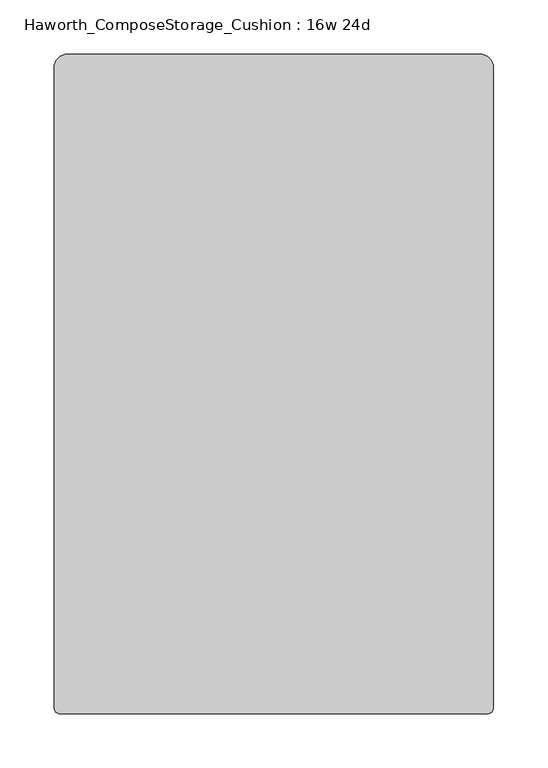
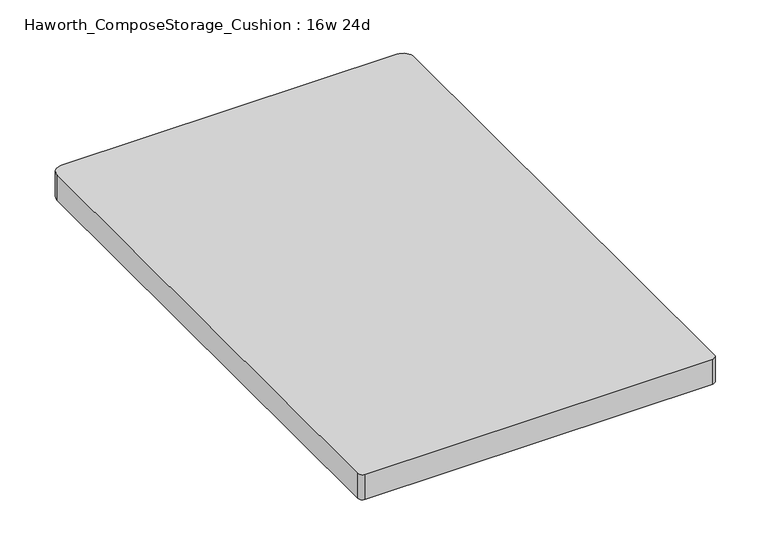
"""IFC4 building model written with IfcOpenShell, lengths in millimetres: furniture geometry, Haworth_ComposeStorage_Cushion : 16w 24d."""

import ifcopenshell
import ifcopenshell.guid

model = None  # the IFC model being written
_history = None  # IfcOwnerHistory: only IFC2X3 demands one
_inside = {}  # id of a spatial element -> (the spatial element, [elements in it])
_under = {}  # id of a project, library or spatial element -> (it, [spatial elements below it])
_declared = {}  # id of a project -> (the project, [libraries it declares])
_typed = {}  # id of a type object -> (the type object, [elements of that type])
_made_of = {}  # id of a material, layer set ... -> (it, [elements and type objects made of it])


def new_model(schema):
    """Start an empty IFC model of exactly this schema.

    Asked for "IFC4X3", IfcOpenShell would pick the latest addendum, in which some entities
    have other attributes; the version numbers below select the first issue.
    IFC2X3 requires an IfcOwnerHistory on every rooted entity: one is made here for all.
    """
    global model, _history
    if schema == "IFC4X3":
        model = ifcopenshell.file(schema_version=(4, 3, 0, 0))
    else:
        model = ifcopenshell.file(schema=schema)
    _inside.clear()
    _under.clear()
    _declared.clear()
    _typed.clear()
    _made_of.clear()
    _history = None
    if model.schema == "IFC2X3":
        org = make("IfcOrganization", Name="unknown")
        user = make(
            "IfcPersonAndOrganization",
            ThePerson=make("IfcPerson", FamilyName="unknown"),
            TheOrganization=org,
        )
        app = make(
            "IfcApplication",
            ApplicationDeveloper=org,
            Version="unknown",
            ApplicationFullName="unknown",
            ApplicationIdentifier="unknown",
        )
        _history = make(
            "IfcOwnerHistory",
            OwningUser=user,
            OwningApplication=app,
            ChangeAction="ADDED",
            CreationDate=0,
        )
    return model


def make(cls, **values):
    """One entity of the class cls with the attributes given. An attribute that is None is left unset."""
    return model.create_entity(
        cls, **{name: value for name, value in values.items() if value is not None}
    )


def rooted(cls, **values):
    """An entity with a GlobalId (a new one), such as an element, a storey or a relation."""
    return make(cls, GlobalId=ifcopenshell.guid.new(), OwnerHistory=_history, **values)


def si_unit(unit_type, name, prefix=None):
    """IfcSIUnit, for example si_unit("LENGTHUNIT", "METRE", prefix="MILLI")."""
    return make("IfcSIUnit", UnitType=unit_type, Prefix=prefix, Name=name)


def assignment(units):
    """IfcUnitAssignment: the units of a project."""
    return None if units is None else make("IfcUnitAssignment", Units=units)


def point(xyz):
    """IfcCartesianPoint."""
    return None if xyz is None else make("IfcCartesianPoint", Coordinates=xyz)


def direction(xyz):
    """IfcDirection."""
    return None if xyz is None else make("IfcDirection", DirectionRatios=xyz)


def frame(location, z_axis=None, x_axis=None):
    """IfcAxis2Placement3D, a coordinate frame: its origin and axes. An axis left out is left unset."""
    return make(
        "IfcAxis2Placement3D",
        Location=point(location),
        Axis=direction(z_axis),
        RefDirection=direction(x_axis),
    )


def frame_2d(location, x_axis=None):
    """IfcAxis2Placement2D, a coordinate frame in the plane: its origin and x axis."""
    return make(
        "IfcAxis2Placement2D", Location=point(location), RefDirection=direction(x_axis)
    )


def origin():
    """The frame at (0, 0, 0) with its axes left unset."""
    return frame((0.0, 0.0, 0.0))


def place(relative_to, where):
    """IfcLocalPlacement: puts the frame where relative to a parent placement (None: the world)."""
    return make(
        "IfcLocalPlacement", PlacementRelTo=relative_to, RelativePlacement=where
    )


def context(
    kind, dimensions, precision=None, world=None, true_north=None, identifier=None
):
    """IfcGeometricRepresentationContext, for example the 3D "Model" context."""
    return make(
        "IfcGeometricRepresentationContext",
        ContextIdentifier=identifier,
        ContextType=kind,
        CoordinateSpaceDimension=dimensions,
        Precision=precision,
        WorldCoordinateSystem=world,
        TrueNorth=true_north,
    )


def project(units=None, contexts=None):
    """IfcProject with its units and contexts."""
    return rooted(
        "IfcProject",
        Name="project",
        RepresentationContexts=contexts,
        UnitsInContext=assignment(units),
    )


def spatial(cls, under=None, at=None, **own):
    """A site, building, storey or space (cls), placed at a placement, below another one or the project."""
    s = rooted(cls, ObjectPlacement=at, **own)
    if under is not None:
        _under.setdefault(under.id(), (under, []))[1].append(s)
    return s


def polyline(points):
    """IfcPolyline through the points."""
    return make("IfcPolyline", Points=[point(p) for p in points])


def circle_curve(where, radius):
    """IfcCircle in the frame where."""
    return make("IfcCircle", Position=where, Radius=radius)


def trimmed(basis, trim1, trim2, sense, master):
    """IfcTrimmedCurve: the piece of a basis curve between two trims."""
    return make(
        "IfcTrimmedCurve",
        BasisCurve=basis,
        Trim1=trim1,
        Trim2=trim2,
        SenseAgreement=sense,
        MasterRepresentation=master,
    )


def segment(curve, same_sense, transition):
    """IfcCompositeCurveSegment."""
    return make(
        "IfcCompositeCurveSegment",
        Transition=transition,
        SameSense=same_sense,
        ParentCurve=curve,
    )


def composite_curve(segments, self_intersect=None):
    """IfcCompositeCurve: segments joined end to end."""
    return make("IfcCompositeCurve", Segments=segments, SelfIntersect=self_intersect)


def outline(outer, holes=None, kind="AREA"):
    """IfcArbitraryClosedProfileDef: a profile drawn as a closed curve; with holes, ...WithVoids."""
    if holes is None:
        return make("IfcArbitraryClosedProfileDef", ProfileType=kind, OuterCurve=outer)
    return make(
        "IfcArbitraryProfileDefWithVoids",
        ProfileType=kind,
        OuterCurve=outer,
        InnerCurves=holes,
    )


def extrude(swept, where, along, depth):
    """IfcExtrudedAreaSolid: the profile swept, set in the frame where, extruded along a direction by depth."""
    return make(
        "IfcExtrudedAreaSolid",
        SweptArea=swept,
        Position=where,
        ExtrudedDirection=direction(along),
        Depth=depth,
    )


def shape(context_of_items, identifier, shape_type, items):
    """IfcShapeRepresentation: the items that make up one representation, for example the "Body"."""
    return make(
        "IfcShapeRepresentation",
        ContextOfItems=context_of_items,
        RepresentationIdentifier=identifier,
        RepresentationType=shape_type,
        Items=items,
    )


def source(mapping_origin, context_of_items, identifier, shape_type, items):
    """IfcRepresentationMap: a shape defined once, which mapped items show again and again."""
    return make(
        "IfcRepresentationMap",
        MappingOrigin=mapping_origin,
        MappedRepresentation=shape(context_of_items, identifier, shape_type, items),
    )


def transform(
    local_origin,
    x_axis=None,
    y_axis=None,
    z_axis=None,
    scale=None,
    scale2=None,
    scale3=None,
    uniform=True,
):
    """IfcCartesianTransformationOperator3D, or its non-uniform kind. x_axis, y_axis, z_axis: its Axis1, 2, 3."""
    if uniform:
        return make(
            "IfcCartesianTransformationOperator3D",
            Axis1=direction(x_axis),
            Axis2=direction(y_axis),
            LocalOrigin=point(local_origin),
            Scale=scale,
            Axis3=direction(z_axis),
        )
    return make(
        "IfcCartesianTransformationOperator3DnonUniform",
        Axis1=direction(x_axis),
        Axis2=direction(y_axis),
        LocalOrigin=point(local_origin),
        Scale=scale,
        Axis3=direction(z_axis),
        Scale2=scale2,
        Scale3=scale3,
    )


def mapped(mapping_source, mapping_target):
    """IfcMappedItem: shows the shape of a source again, moved by a transform."""
    return make(
        "IfcMappedItem", MappingSource=mapping_source, MappingTarget=mapping_target
    )


def made_of(thing, what):
    """Note that an element or type object is made of a material, layer set ...; save() writes the relation."""
    if what is not None:
        _made_of.setdefault(what.id(), (what, []))[1].append(thing)
    return thing


def element(
    cls,
    number,
    at=None,
    inside=None,
    cuts=None,
    type_object=None,
    material=None,
    context=None,
    identifier="Body",
    shape_type=None,
    held_by="IfcProductDefinitionShape",
    body=None,
    shapes=None,
    **own,
):
    """One element of the class cls, such as IfcWall. Its Tag is "e" and its number.

    at: its placement. inside: the storey or other place that contains it. cuts: it is an
    opening in that element (IfcRelVoidsElement). A single representation is given by context,
    identifier, shape_type and body (its items); several are given by shapes. held_by: the class
    of the entity that holds the representations. save() writes the other relations.
    """
    e = rooted(cls, Tag="e%d" % number, ObjectPlacement=at, **own)
    if body is not None:
        shapes = [shape(context, identifier, shape_type, body)]
    if shapes is not None:
        e.Representation = make(held_by, Representations=shapes)
    if inside is not None:
        _inside.setdefault(inside.id(), (inside, []))[1].append(e)
    if cuts is not None:
        rooted(
            "IfcRelVoidsElement", RelatingBuildingElement=cuts, RelatedOpeningElement=e
        )
    if type_object is not None:
        _typed.setdefault(type_object.id(), (type_object, []))[1].append(e)
    return made_of(e, material)


def aggregate(whole, parts):
    """IfcRelAggregates: a whole, such as a stair, and the parts it consists of."""
    return rooted("IfcRelAggregates", RelatingObject=whole, RelatedObjects=parts)


def save(model, path):
    """Write the relations noted so far, then the file.

    IfcRelAggregates (storeys below a building ...), IfcRelContainedInSpatialStructure (elements
    in a storey), IfcRelDefinesByType, IfcRelAssociatesMaterial and IfcRelDeclares: one each for
    every whole, place, type object, material and project.
    """
    for whole, parts in _under.values():
        aggregate(whole, parts)
    for where, things in _inside.values():
        rooted(
            "IfcRelContainedInSpatialStructure",
            RelatedElements=things,
            RelatingStructure=where,
        )
    for kind, things in _typed.values():
        rooted("IfcRelDefinesByType", RelatedObjects=things, RelatingType=kind)
    for what, things in _made_of.values():
        rooted("IfcRelAssociatesMaterial", RelatedObjects=things, RelatingMaterial=what)
    for by, libraries in _declared.values():
        rooted("IfcRelDeclares", RelatingContext=by, RelatedDefinitions=libraries)
    model.write(path)


def haworth_composestorage_cushion_16w_24d_7b8aacbd(model_context):
    return source(origin(), model_context, "Body", "SweptSolid", [
        extrude(outline(composite_curve([segment(trimmed(circle_curve(frame_2d((190.5, 292.1)), 12.7), [point((190.5, 304.8))], [point((203.2, 292.1))], False, "CARTESIAN"), True, "CONTINUOUS"), segment(polyline([(203.2, 292.1), (203.2, -298.8870224)]), True, "CONTINUOUS"), segment(trimmed(circle_curve(frame_2d((197.2870224, -298.8870224)), 5.9129776), [point((203.2, -298.8870224))], [point((197.2870224, -304.8))], False, "CARTESIAN"), True, "CONTINUOUS"), segment(polyline([(197.2870224, -304.8), (-197.2870224, -304.8)]), True, "CONTINUOUS"), segment(trimmed(circle_curve(frame_2d((-197.2870224, -298.8870224)), 5.9129776), [point((-197.2870224, -304.8))], [point((-203.2, -298.8870224))], False, "CARTESIAN"), True, "CONTINUOUS"), segment(polyline([(-203.2, -298.8870224), (-203.2, 292.1)]), True, "CONTINUOUS"), segment(trimmed(circle_curve(frame_2d((-190.5, 292.1)), 12.7), [point((-203.2, 292.1))], [point((-190.5, 304.8))], False, "CARTESIAN"), True, "CONTINUOUS"), segment(polyline([(-190.5, 304.8), (190.5, 304.8)]), True, "CONTINUOUS")], self_intersect=False)), frame((0.0, 0.0, 609.6), z_axis=(0.0, 0.0, 1.0), x_axis=(1.0, 0.0, 0.0)), (0.0, 0.0, 1.0), 30.1625),
    ])


if __name__ == "__main__":
    model = new_model("IFC4")
    model_context = context("Model", 3, world=origin())
    ifc_project = project(units=[si_unit("LENGTHUNIT", "METRE", prefix="MILLI")], contexts=[model_context])
    site = spatial("IfcSite", under=ifc_project)
    building = spatial("IfcBuilding", under=site)
    placement = place(None, origin())
    haworth_composestorage_cushion_16w_24d_shape = haworth_composestorage_cushion_16w_24d_7b8aacbd(model_context)
    element("IfcFurniture", 1, ObjectType="Haworth_ComposeStorage_Cushion : 16w 24d", at=placement, inside=building, context=model_context, shape_type="MappedRepresentation", body=[
        mapped(haworth_composestorage_cushion_16w_24d_shape, transform((0.0, 0.0, 0.0), x_axis=(1.0, 0.0, 0.0), y_axis=(0.0, 1.0, 0.0), z_axis=(0.0, 0.0, 1.0))),
    ])
    save(model, "model.ifc")
